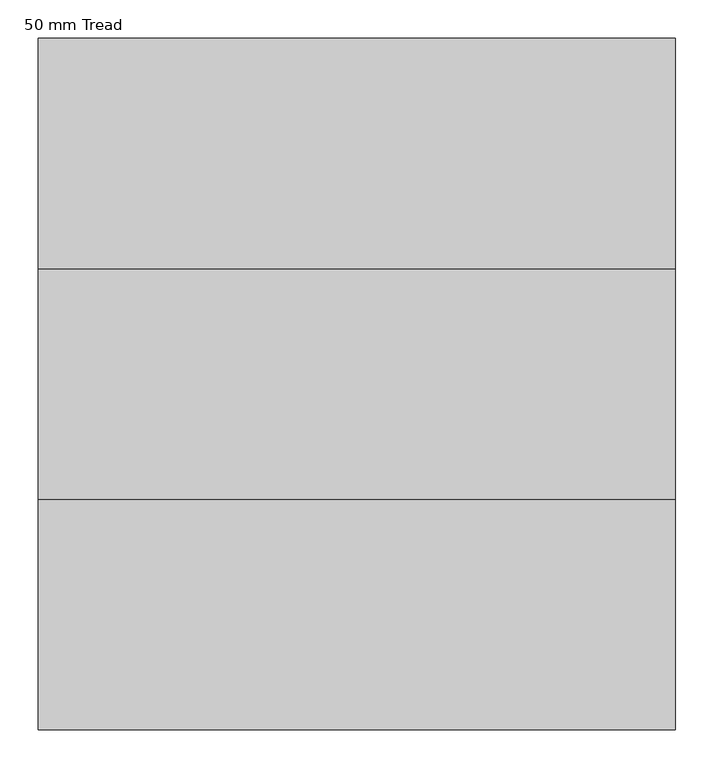
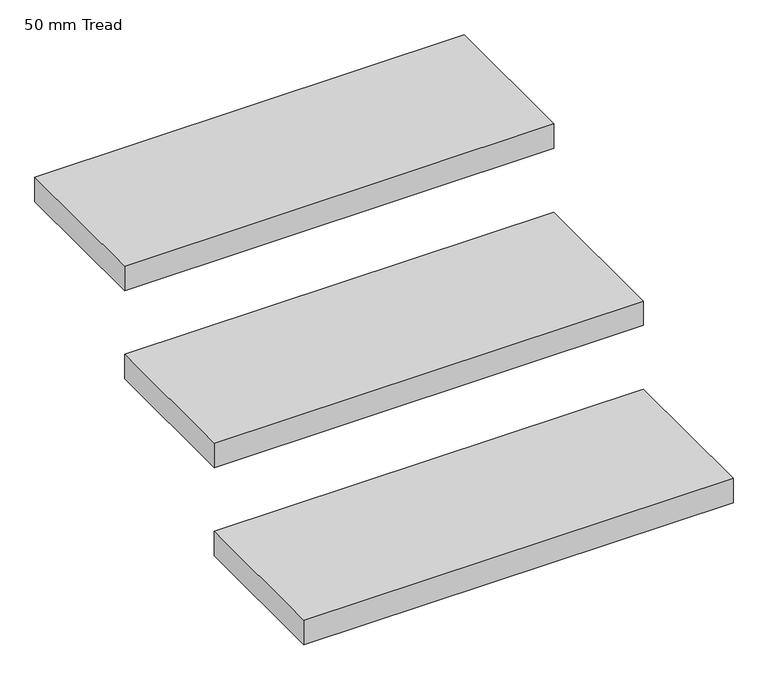
"""IFC4 building model written with IfcOpenShell, lengths in millimetres: stair flight geometry, 50 mm Tread."""

from ifc_helpers import new_model, si_unit, frame, origin, place, context, project, spatial, polyline, outline, extrude, source, transform, mapped, element, save


def stair_flight_50_mm_tread_444a796b(model_context):
    return source(origin(), model_context, "Body", "SweptSolid", [
        extrude(outline(polyline([(-408.7453565, 3322.5685624), (421.2546435, 3322.5685624), (421.2546435, 3022.5685624), (-408.7453565, 3022.5685624), (-408.7453565, 3322.5685624)])), frame((0.0, 0.0, 4530.0), z_axis=(0.0, 0.0, 1.0), x_axis=(1.0, 0.0, 0.0)), (0.0, 0.0, 1.0), 50.0),
        extrude(outline(polyline([(-408.7453565, 3622.5685624), (421.2546435, 3622.5685624), (421.2546435, 3322.5685624), (-408.7453565, 3322.5685624), (-408.7453565, 3622.5685624)])), frame((0.0, 0.0, 4710.0), z_axis=(0.0, 0.0, 1.0), x_axis=(1.0, 0.0, 0.0)), (0.0, 0.0, 1.0), 50.0),
        extrude(outline(polyline([(-408.7453565, 3922.5685624), (421.2546435, 3922.5685624), (421.2546435, 3622.5685624), (-408.7453565, 3622.5685624), (-408.7453565, 3922.5685624)])), frame((0.0, 0.0, 4890.0), z_axis=(0.0, 0.0, 1.0), x_axis=(1.0, 0.0, 0.0)), (0.0, 0.0, 1.0), 50.0),
    ])


if __name__ == "__main__":
    model = new_model("IFC4")
    model_context = context("Model", 3, world=origin())
    ifc_project = project(units=[si_unit("LENGTHUNIT", "METRE", prefix="MILLI")], contexts=[model_context])
    site = spatial("IfcSite", under=ifc_project)
    building = spatial("IfcBuilding", under=site)
    placement = place(None, origin())
    stair_flight_50_mm_tread_shape = stair_flight_50_mm_tread_444a796b(model_context)
    element("IfcStairFlight", 1, ObjectType="50 mm Tread", at=placement, inside=building, context=model_context, shape_type="MappedRepresentation", body=[
        mapped(stair_flight_50_mm_tread_shape, transform((0.0, 0.0, 0.0), x_axis=(1.0, 0.0, 0.0), y_axis=(0.0, 1.0, 0.0), z_axis=(0.0, 0.0, 1.0))),
    ])
    save(model, "model.ifc")
